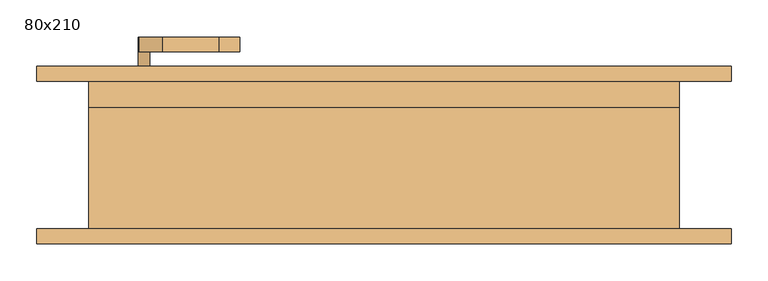
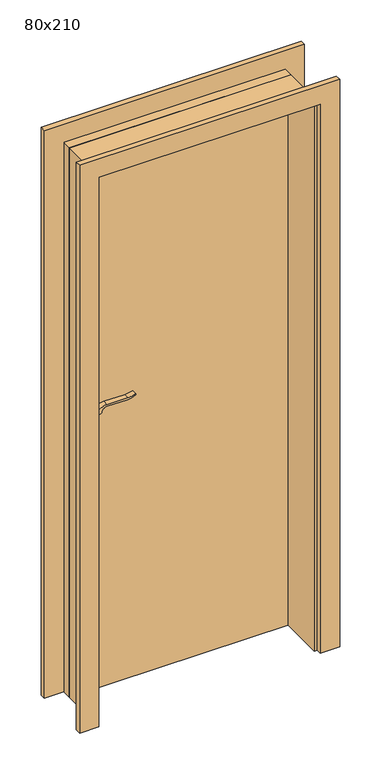
"""IFC4 building model written with IfcOpenShell, lengths in millimetres: door geometry, 80x210."""

from ifc_helpers import new_model, si_unit, point, frame, frame_2d, origin, origin_with_axes, place, context, project, spatial, polyline, circle_curve, trimmed, segment, composite_curve, outline, extrude, source, transform, mapped, element, save


def door_80x210_7041af7c(model_context):
    return source(origin(), model_context, "Body", "SweptSolid", [
        extrude(outline(composite_curve([segment(trimmed(circle_curve(frame_2d((1040.0, -325.0)), 15.0), [point((1040.0, -310.0))], [point((1040.0, -340.0))], False, "CARTESIAN"), True, "CONTINUOUS"), segment(trimmed(circle_curve(frame_2d((1040.0, -325.0)), 15.0), [point((1040.0, -340.0))], [point((1040.0, -310.0))], False, "CARTESIAN"), True, "CONTINUOUS")], self_intersect=False)), frame((0.0, 45.0, 0.0), z_axis=(0.0, 1.0, 0.0), x_axis=(0.0, 0.0, 1.0)), (0.0, 0.0, 1.0), 10.0),
        extrude(outline(composite_curve([segment(trimmed(circle_curve(frame_2d((1040.0, -325.0)), 15.0), [point((1040.0, -310.0))], [point((1040.0, -340.0))], False, "CARTESIAN"), True, "CONTINUOUS"), segment(trimmed(circle_curve(frame_2d((1040.0, -325.0)), 15.0), [point((1040.0, -340.0))], [point((1040.0, -310.0))], False, "CARTESIAN"), True, "CONTINUOUS")], self_intersect=False)), frame((0.0, 110.0, 0.0), z_axis=(0.0, 1.0, 0.0), x_axis=(0.0, 0.0, 1.0)), (0.0, 0.0, 1.0), 10.0),
        extrude(outline(composite_curve([segment(trimmed(circle_curve(frame_2d((1100.0, -325.0)), 8.0), [point((1104.6523287, -331.5081363))], [point((1100.0, -317.0))], False, "CARTESIAN"), True, "CONTINUOUS"), segment(trimmed(circle_curve(frame_2d((1094.8738613, -299.6138099)), 18.1261387), [point((1100.0, -317.0))], [point((1113.0, -299.6138099))], True, "CARTESIAN"), True, "CONTINUOUS"), segment(polyline([(1113.0, -299.6138099), (1113.0, -223.3564091)]), True, "CONTINUOUS"), segment(trimmed(circle_curve(frame_2d((1172.2709207, -226.9396612)), 59.3791355), [point((1113.0, -223.3564091))], [point((1122.2135558, -195.0))], False, "CARTESIAN"), True, "CONTINUOUS"), segment(polyline([(1122.2135558, -195.0), (1125.0, -195.0)]), True, "CONTINUOUS"), segment(trimmed(circle_curve(frame_2d((1203.2850638, -223.4227909)), 83.2850902), [point((1125.0, -195.0))], [point((1120.0, -223.3564091))], True, "CARTESIAN"), True, "CONTINUOUS"), segment(polyline([(1120.0, -223.3564091), (1120.0, -299.6325667)]), True, "CONTINUOUS"), segment(trimmed(circle_curve(frame_2d((1082.7555521, -301.3324871)), 37.2832219), [point((1120.0, -299.6325667))], [point((1104.6523287, -331.5081363))], False, "CARTESIAN"), True, "CONTINUOUS")], self_intersect=False)), frame((0.0, 5.0, 0.0), z_axis=(0.0, 1.0, 0.0), x_axis=(0.0, 0.0, 1.0)), (0.0, 0.0, 1.0), 20.0),
        extrude(outline(composite_curve([segment(trimmed(circle_curve(frame_2d((1094.8738682, -299.6138122)), 18.1261318), [point((1099.9999903, -317.0))], [point((1113.0, -299.6138122))], True, "CARTESIAN"), True, "CONTINUOUS"), segment(polyline([(1113.0, -299.6138122), (1113.0, -223.3564091)]), True, "CONTINUOUS"), segment(trimmed(circle_curve(frame_2d((1172.2709207, -226.9396612)), 59.3791355), [point((1113.0, -223.3564091))], [point((1122.2135558, -195.0))], False, "CARTESIAN"), True, "CONTINUOUS"), segment(polyline([(1122.2135558, -195.0), (1125.0, -195.0)]), True, "CONTINUOUS"), segment(trimmed(circle_curve(frame_2d((1203.2850638, -223.4227909)), 83.2850902), [point((1125.0, -195.0))], [point((1120.0, -223.3564091))], True, "CARTESIAN"), True, "CONTINUOUS"), segment(polyline([(1120.0, -223.3564091), (1120.0, -299.6325667)]), True, "CONTINUOUS"), segment(trimmed(circle_curve(frame_2d((1082.7555521, -301.3324871)), 37.2832219), [point((1120.0, -299.6325667))], [point((1104.6523287, -331.5081363))], False, "CARTESIAN"), True, "CONTINUOUS"), segment(trimmed(circle_curve(frame_2d((1100.0, -325.0)), 8.0), [point((1104.6523287, -331.5081363))], [point((1099.9999903, -317.0))], False, "CARTESIAN"), True, "CONTINUOUS")], self_intersect=False)), frame((0.0, 140.0, 0.0), z_axis=(0.0, 1.0, 0.0), x_axis=(0.0, 0.0, 1.0)), (0.0, 0.0, 1.0), 20.0),
        extrude(outline(composite_curve([segment(trimmed(circle_curve(frame_2d((1100.0, -325.0)), 8.0), [point((1100.0, -317.0))], [point((1100.0, -333.0))], False, "CARTESIAN"), True, "CONTINUOUS"), segment(trimmed(circle_curve(frame_2d((1100.0, -325.0)), 8.0), [point((1100.0, -333.0))], [point((1100.0, -317.0))], False, "CARTESIAN"), True, "CONTINUOUS")], self_intersect=False)), frame((0.0, 25.0, 0.0), z_axis=(0.0, 1.0, 0.0), x_axis=(0.0, 0.0, 1.0)), (0.0, 0.0, 1.0), 30.0),
        extrude(outline(composite_curve([segment(trimmed(circle_curve(frame_2d((1100.0, -325.0)), 8.0), [point((1100.0, -317.0))], [point((1100.0, -333.0))], False, "CARTESIAN"), True, "CONTINUOUS"), segment(trimmed(circle_curve(frame_2d((1100.0, -325.0)), 8.0), [point((1100.0, -333.0))], [point((1100.0, -317.0))], False, "CARTESIAN"), True, "CONTINUOUS")], self_intersect=False)), frame((0.0, 110.0, 0.0), z_axis=(0.0, 1.0, 0.0), x_axis=(0.0, 0.0, 1.0)), (0.0, 0.0, 1.0), 30.0),
        extrude(outline(composite_curve([segment(trimmed(circle_curve(frame_2d((1030.0, -325.0)), 25.0), [point((1030.0, -350.0))], [point((1030.0, -300.0))], False, "CARTESIAN"), True, "CONTINUOUS"), segment(polyline([(1030.0, -300.0), (1100.0, -300.0)]), True, "CONTINUOUS"), segment(trimmed(circle_curve(frame_2d((1100.0, -325.0)), 25.0), [point((1100.0, -300.0))], [point((1100.0, -350.0))], False, "CARTESIAN"), True, "CONTINUOUS"), segment(polyline([(1100.0, -350.0), (1030.0, -350.0)]), True, "CONTINUOUS")], self_intersect=False)), frame((0.0, 55.0, 0.0), z_axis=(0.0, 1.0, 0.0), x_axis=(0.0, 0.0, 1.0)), (0.0, 0.0, 1.0), 10.0),
        extrude(outline(composite_curve([segment(trimmed(circle_curve(frame_2d((1030.0, -325.0)), 25.0), [point((1030.0, -350.0))], [point((1030.0, -300.0))], False, "CARTESIAN"), True, "CONTINUOUS"), segment(polyline([(1030.0, -300.0), (1100.0, -300.0)]), True, "CONTINUOUS"), segment(trimmed(circle_curve(frame_2d((1100.0, -325.0)), 25.0), [point((1100.0, -300.0))], [point((1100.0, -350.0))], False, "CARTESIAN"), True, "CONTINUOUS"), segment(polyline([(1100.0, -350.0), (1030.0, -350.0)]), True, "CONTINUOUS")], self_intersect=False)), frame((0.0, 100.0, 0.0), z_axis=(0.0, 1.0, 0.0), x_axis=(0.0, 0.0, 1.0)), (0.0, 0.0, 1.0), 10.0),
        extrude(outline(polyline([(400.0, 65.0), (-400.0, 65.0), (-400.0, 100.0), (400.0, 100.0), (400.0, 65.0)])), origin_with_axes(), (0.0, 0.0, 1.0), 2100.0),
        extrude(outline(polyline([(0.0, 400.0), (2100.0, 400.0), (2100.0, -400.0), (0.0, -400.0), (0.0, -390.0), (2090.0, -390.0), (2090.0, 390.0), (0.0, 390.0), (0.0, 400.0)])), frame((0.0, -100.0, 0.0), z_axis=(0.0, 1.0, 0.0), x_axis=(0.0, 0.0, 1.0)), (0.0, 0.0, 1.0), 165.0),
        extrude(outline(polyline([(0.0, 400.0), (0.0, 470.0), (2170.0, 470.0), (2170.0, -470.0), (0.0, -470.0), (0.0, -400.0), (2100.0, -400.0), (2100.0, 400.0), (0.0, 400.0)])), frame((0.0, 100.0, 0.0), z_axis=(0.0, 1.0, 0.0), x_axis=(0.0, 0.0, 1.0)), (0.0, 0.0, 1.0), 20.0),
        extrude(outline(polyline([(0.0, 400.0), (0.0, 470.0), (2170.0, 470.0), (2170.0, -470.0), (0.0, -470.0), (0.0, -400.0), (2100.0, -400.0), (2100.0, 400.0), (0.0, 400.0)])), frame((0.0, -120.0, 0.0), z_axis=(0.0, 1.0, 0.0), x_axis=(0.0, 0.0, 1.0)), (0.0, 0.0, 1.0), 20.0),
    ])


if __name__ == "__main__":
    model = new_model("IFC4")
    model_context = context("Model", 3, world=origin())
    ifc_project = project(units=[si_unit("LENGTHUNIT", "METRE", prefix="MILLI")], contexts=[model_context])
    site = spatial("IfcSite", under=ifc_project)
    building = spatial("IfcBuilding", under=site)
    placement = place(None, origin())
    door_80x210_shape = door_80x210_7041af7c(model_context)
    element("IfcDoor", 1, ObjectType="80x210", at=placement, inside=building, context=model_context, shape_type="MappedRepresentation", body=[
        mapped(door_80x210_shape, transform((0.0, 0.0, 0.0), x_axis=(1.0, 0.0, 0.0), y_axis=(0.0, 1.0, 0.0), z_axis=(0.0, 0.0, 1.0))),
    ])
    save(model, "model.ifc")
